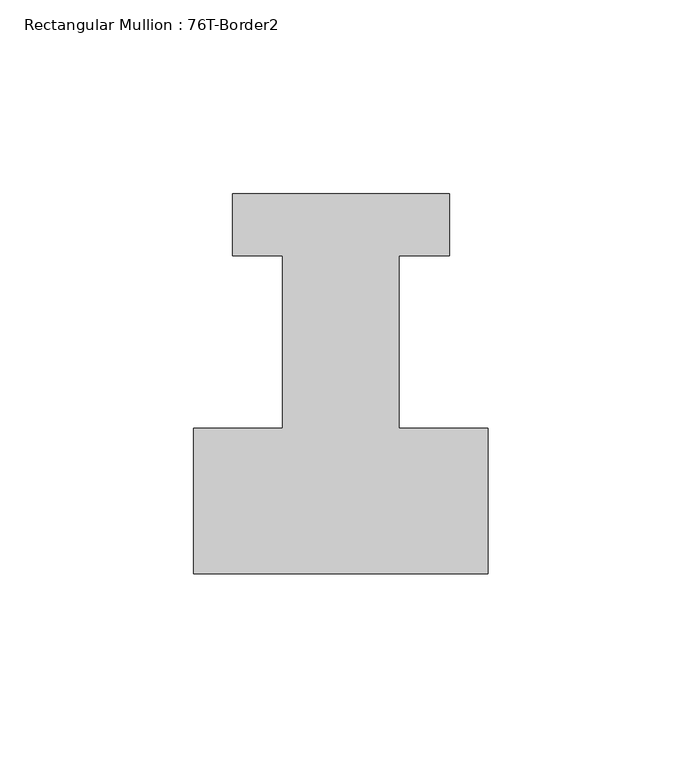
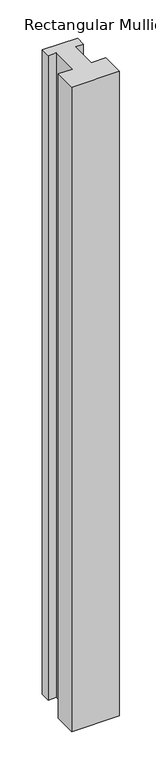
"""IFC4 building model written with IfcOpenShell, lengths in millimetres: member geometry, Rectangular Mullion : 76T-Border2."""

from ifc_helpers import new_model, si_unit, frame, origin, place, context, project, spatial, polyline, outline, extrude, source, transform, mapped, element, save


def rectangular_mullion_76t_border2_4f9cfbe6(model_context):
    return source(origin(), model_context, "Body", "SweptSolid", [
        extrude(outline(polyline([(0.0, -38.0), (-76.0, -38.0), (-76.0, -0.5), (-53.0, -0.5), (-53.0, 44.0), (-66.0, 44.0), (-66.0, 60.0), (-10.0, 60.0), (-10.0, 44.0), (-23.0, 44.0), (-23.0, -0.5), (0.0, -0.5), (0.0, -38.0)])), frame((0.0, 0.0, -1086.0), z_axis=(0.0, 0.0, 1.0), x_axis=(1.0, 0.0, 0.0)), (0.0, 0.0, 1.0), 1086.0),
    ])


if __name__ == "__main__":
    model = new_model("IFC4")
    model_context = context("Model", 3, world=origin())
    ifc_project = project(units=[si_unit("LENGTHUNIT", "METRE", prefix="MILLI")], contexts=[model_context])
    site = spatial("IfcSite", under=ifc_project)
    building = spatial("IfcBuilding", under=site)
    placement = place(None, origin())
    rectangular_mullion_76t_border2_shape = rectangular_mullion_76t_border2_4f9cfbe6(model_context)
    element("IfcMember", 1, ObjectType="Rectangular Mullion : 76T-Border2", at=placement, inside=building, context=model_context, shape_type="MappedRepresentation", body=[
        mapped(rectangular_mullion_76t_border2_shape, transform((0.0, 0.0, 0.0), x_axis=(1.0, 0.0, 0.0), y_axis=(0.0, 1.0, 0.0), z_axis=(0.0, 0.0, 1.0))),
    ])
    save(model, "model.ifc")
